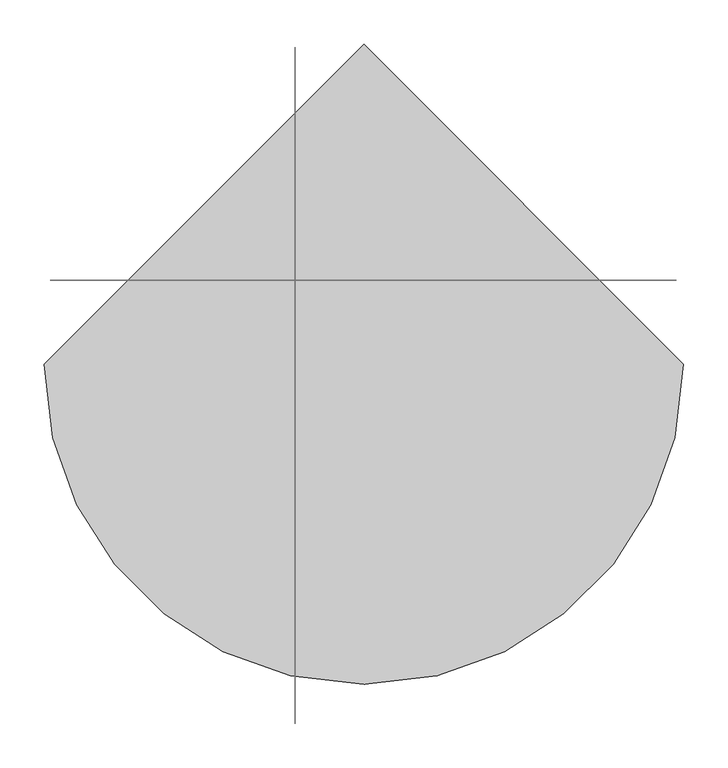
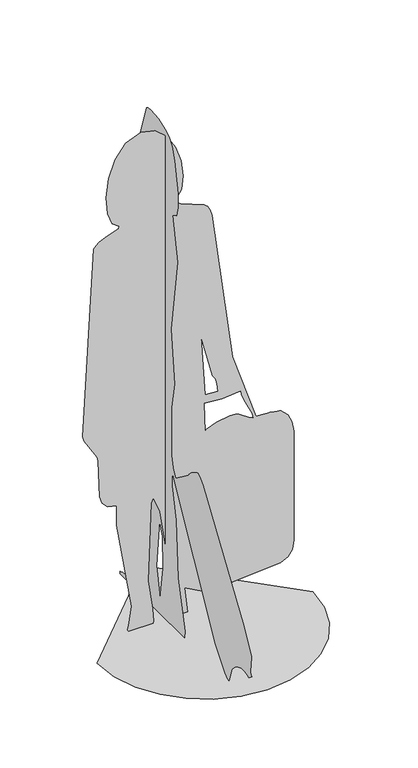
"""IFC4 building model written with IfcOpenShell, lengths in millimetres: proxy geometry."""

from ifc_helpers import new_model, si_unit, origin, place, context, project, spatial, triangles, source, transform, mapped, element, save


def entourage_878ef173(model_context):
    return source(origin(), model_context, "Body", "Tessellation", [
        triangles([(53.8898383, 117.4603358, 747.7914923), (98.2196679, 117.4603358, 744.8361494), (95.1081209, 117.4603176, 773.4306976), (89.3746228, 117.4603176, 791.5245787), (80.4877198, 117.4603176, 806.8979136), (42.0685486, 117.4603086, 957.6191643), (111.0217117, 117.4603449, 714.2722446), (50.9345318, 117.4603358, 718.2382816), (53.8898429, 117.4603449, 617.7574236), (59.3183088, 117.4603449, 623.2589773), (93.5172206, 117.4603449, 636.2914667), (138.3303101, 117.4603449, 644.4038349), (157.0264436, 117.4603449, 643.7551826), (169.1473063, 117.4603449, 638.4446783), (200.5938788, 117.4603449, 617.4117325), (207.9951349, 117.4603449, 613.0218115), (213.5514273, 117.4603449, 610.0099314), (216.4324106, 117.4603449, 608.8914677), (214.1224317, 117.4603449, 624.6304779), (191.1442376, 117.4603449, 672.8652517), (182.9985683, 117.4603449, 688.9846167), (177.0412648, 117.4603449, 704.9755011), (174.7312677, 117.4603449, 720.7485209), (-201.8995404, 117.4604085, 0.0), (-204.1571242, 117.4604085, 3.9497842), (-204.9442855, 117.4604085, 7.6373274), (-204.6662138, 117.4604085, 10.9642256), (-203.7279898, 117.4604085, 13.8318444), (-202.5349122, 117.4604085, 16.1416667), (-201.4920253, 117.4604085, 17.7951722), (-201.0044824, 117.4604085, 18.6940715), (-190.828977, 117.4603994, 85.6587976), (-242.182692, 117.460354, 390.4929889), (-241.6421545, 117.4603449, 458.1701806), (-271.5639473, 117.4603449, 465.087818), (-289.7425615, 117.4603449, 483.6791977), (-298.9889993, 117.4603449, 510.7019305), (-302.8727739, 117.4603176, 638.2599512), (-307.2949422, 117.4603176, 654.1493883), (-350.722742, 117.4603176, 724.6059889), (-355.1449648, 117.4603176, 742.1577518), (-318.2957969, 117.460245, 1393.2515854), (-310.2569707, 117.460245, 1402.8329773), (-299.7625713, 117.460245, 1411.0185242), (-287.5347566, 117.460245, 1417.9618504), (-274.2955575, 117.460245, 1423.8161442), (-260.7672771, 117.460245, 1428.7353207), (-247.6718555, 117.460245, 1432.8724228), (-235.7315414, 117.460245, 1436.3809296), (-232.7762167, 117.4602359, 1445.2468128), (-257.0988964, 117.4602359, 1461.5501781), (-272.1356057, 117.4602177, 1503.7727463), (-276.4824334, 117.4602177, 1561.8838795), (-268.7355044, 117.4602177, 1625.85294), (-247.4909617, 117.4602086, 1685.6494354), (-211.3448214, 117.4601905, 1731.241856), (-158.8932265, 117.4601905, 1752.6), (-111.9791842, 117.4602086, 1741.2460419), (-73.5043479, 117.4602177, 1707.6616093), (-44.4949449, 117.4602177, 1659.4346111), (-25.9771685, 117.4602177, 1604.1516483), (-18.9772346, 117.4602359, 1549.4009205), (-24.5213525, 117.460245, 1502.7694645), (-43.6357222, 117.460245, 1471.8447533), (-41.3971643, 117.460245, 1464.7698944), (-35.6109395, 117.460245, 1458.4332172), (-27.6712375, 117.460245, 1452.9626209), (51.276435, 117.460245, 1421.2944958), (57.2815917, 117.460245, 1416.9136585), (62.600167, 117.460245, 1411.6523518), (67.2046597, 117.460245, 1405.3326794), (71.0676189, 117.460245, 1397.7771812), (78.5116503, 117.460254, 1375.7985809), (147.1776171, 117.4603176, 850.6698057), (225.2983847, 117.4603449, 611.8468105), (275.5388137, 117.460354, 608.9837222), (309.4108014, 117.460354, 601.3092633), (332.2617685, 117.4603721, 580.586255), (345.871948, 117.4603721, 550.2653586), (352.0216816, 117.4603721, 513.7975628), (353.4933941, 117.4604176, 128.4620444), (346.9371809, 117.4604176, 99.2247937), (332.6279889, 117.4604176, 77.1089652), (308.0473672, 117.4604176, 65.1126907), (90.3187149, 117.4604176, 47.8453172), (48.0056181, 117.4604176, 54.0576651), (-14.0824787, 117.4603994, 88.7552838), (-4.1152214, 117.4604176, 0.0), (-74.9051435, 117.4604176, 0.0), (-62.2911333, 117.4603994, 156.8197702), (-96.4066154, 117.4603721, 387.4205747), (-115.2693994, 117.460354, 437.4783113), (-119.5504426, 117.460354, 442.4700125), (-126.1975024, 117.460354, 426.9860739), (-137.0054909, 117.4603994, 156.8197702), (-121.113147, 117.4603994, 51.6135511), (-117.2149747, 117.4604085, 8.0698619), (-119.7951406, 117.4604085, 0.0), (-77.8997872, 135.0692083, 282.8198191), (-77.8998054, 130.3114773, 172.9542868), (-77.8998054, 152.666935, 33.5277909), (-77.8997963, 152.9641916, 69.4067782), (-77.8997963, 169.5678293, 157.0970425), (-77.8997872, 150.7276729, 328.1361483), (-77.8998145, 3.0163209, 25.7191991), (-77.8998054, 45.3518648, 189.0513784), (-77.8997963, 55.7880146, 386.7806791), (-77.8997963, 80.3276914, 494.488567), (-77.8997872, 80.5199489, 517.4922137), (-77.8997872, 76.8446373, 540.9191631), (-77.8998145, -171.7708925, 87.0856001), (-77.8998145, -227.9932601, 18.8921949), (-77.8998236, -243.0883417, 6.7222562), (-77.8998236, -252.4887126, 5.452254), (-77.8998145, -269.9436974, 56.8931116), (-77.8998145, -279.0118393, 68.4347354), (-77.8998236, -291.5888515, 78.625724), (-77.8998236, -306.5133039, 86.7939936), (-77.8998236, -322.6234397, 92.2677329), (-77.8998236, -338.7579563, 94.3743994), (-77.8998236, -353.7550424, 92.4425951), (-77.8998327, -366.4532135, 85.8000045), (-77.8998327, -384.1851617, 100.5765735), (-77.8998327, -379.3155098, 104.3952085), (-77.8998327, -377.4683842, 114.2298371), (-77.8998236, -381.8249496, 165.1035306), (-77.8998236, -381.2298552, 168.5488871), (-77.8998145, -338.4702559, 250.651234), (-77.8997963, -99.3683079, 604.619163), (-77.8997963, -81.9905895, 622.8976622), (-77.8997963, -71.65085, 630.1974346), (-77.8997872, -65.9631884, 629.1904467), (-77.8997963, -34.7905, 610.2242352), (-77.8997963, -19.0469808, 595.6349367), (-77.8997963, -17.7255782, 591.1596285), (-77.8997963, 56.157428, 535.0085137), (-77.8997963, 58.1476771, 537.2532895), (-77.8997872, 66.8439441, 552.4633713), (-77.8997872, 72.0572114, 563.5967397), (-77.8997872, 76.8521041, 575.860853), (-77.8997872, 80.4822059, 588.3398515), (-77.8997782, 82.2011599, 600.1177663), (-77.8997782, 81.1851063, 771.341581), (-77.8997782, 63.9151076, 863.048992), (-77.8997691, 84.6023578, 1046.8329048), (-77.8997691, 47.4761219, 1306.3470062), (-77.8997691, 76.8445827, 1454.1129868), (-77.8997691, 53.8794874, 1467.406216), (-77.8997691, 43.4152415, 1502.0613682), (-77.8997691, 43.0932317, 1550.2417122), (-77.8997509, 63.441213, 1655.8304707), (-77.89976, 79.3938912, 1697.5648418), (-77.8997509, 96.0541751, 1721.476609), (-77.8997509, 113.8033461, 1732.016082), (-77.8997509, 158.8977684, 1746.5525494), (-77.8997418, 202.5220496, 1750.8739426), (-77.8997418, 218.4334876, 1748.6439915), (-77.8997418, 227.5582395, 1743.1885105), (-77.8997509, 274.573284, 1600.1668625), (-77.8997418, 278.9162601, 1559.8313885), (-77.8997509, 274.1262909, 1527.2763988), (-77.8997509, 257.1190804, 1507.3087223), (-77.8997509, 224.7027815, 1486.3441589), (-77.8997509, 208.3494555, 1458.8658943), (-77.89976, 210.3774568, 1428.4683311), (-77.89976, 225.4879443, 1396.3826443), (-77.89976, 296.3251358, 1302.3062645), (-77.89976, 310.7764157, 1275.7776512), (-77.8997691, 316.9745112, 1010.797677), (-77.8997691, 316.2255017, 1004.9043594), (-77.8997782, 295.5383015, 481.8127419), (-77.8997782, 293.46688, 480.3784181), (-77.8997782, 269.2362369, 455.7556841), (-77.8997782, 264.2245697, 447.8189229), (-77.8997782, 261.6443493, 440.3457962), (-77.8997872, 237.1922808, 202.61841), (-77.8997872, 242.132259, 157.050352), (-77.8997872, 253.7944106, 116.4614324), (-77.8997872, 322.1361875, 23.7382494), (-77.8997872, 325.7640547, 23.3657181), (-77.8997872, 333.8459015, 21.7296988), (-77.8997872, 344.6726026, 19.2407246), (-77.8997872, 356.5347055, 16.3091608), (-77.8997872, 367.7233758, 13.3450226), (-77.8997782, 376.529052, 10.7590158), (-77.8997782, 381.2426087, 8.961618), (-77.8997782, 381.1268818, 8.1774101), (-77.8997782, 381.0535578, 7.1637053), (-77.8997782, 381.015624, 5.9590209), (-77.8997782, 381.0058136, 4.6018718), (-77.8997782, 381.0171501, 3.1304315), (-77.8997782, 381.0423666, 1.583731), (-77.8997782, 381.0743777, 0.0001143), (-77.8998145, 6.2281815, 0.0001143), (-361.7310817, 22.4542549, 0.0001143), (-352.1680753, -60.4305955, 0.0001143), (-324.9328191, -136.5470796, 0.0002286), (-282.2059939, -203.7143642, 0.0001143), (-226.1686077, -259.7518049, 0.0001143), (-159.0012504, -302.4785029, 0.0001143), (-82.8847755, -329.7138136, 0.0001143), (6.66e-05, -339.2768563, 0.0001143), (82.8849208, -329.7138863, 0.0001143), (159.0013958, -302.4785574, 0.0002286), (226.1686985, -259.7517323, 0.0001143), (282.2061938, -203.7143824, 0.0001143), (324.9328554, -136.5470251, 0.0001143), (352.1681479, -60.4305456, 0.0001143), (361.7311907, 22.4542844, 0.0002286), (3.3e-06, 384.1853797, 0.0001143)], [[1, 2, 8], [34, 1, 8], [34, 8, 9], [87, 88, 89], [87, 89, 90], [7, 8, 2], [97, 98, 24], [96, 97, 24], [96, 24, 25], [96, 25, 26], [96, 26, 27], [96, 27, 28], [96, 28, 29], [96, 29, 30], [96, 30, 31], [96, 31, 32], [95, 96, 32], [95, 32, 33], [95, 33, 34], [94, 95, 34], [93, 94, 34], [93, 34, 9], [92, 93, 9], [1, 34, 35], [1, 35, 36], [1, 36, 37], [1, 37, 38], [1, 38, 39], [6, 1, 39], [6, 39, 40], [6, 40, 41], [6, 41, 42], [6, 42, 43], [6, 43, 44], [6, 44, 45], [6, 45, 46], [6, 46, 47], [6, 47, 48], [6, 48, 49], [91, 92, 9], [6, 49, 50], [7, 2, 3], [23, 7, 3], [50, 51, 52], [56, 57, 58], [56, 58, 59], [55, 56, 59], [55, 59, 60], [54, 55, 60], [54, 60, 61], [53, 54, 61], [53, 61, 62], [52, 53, 62], [50, 52, 62], [50, 62, 63], [50, 63, 64], [6, 50, 64], [6, 64, 65], [6, 65, 66], [6, 66, 67], [6, 67, 68], [6, 68, 69], [6, 69, 70], [6, 70, 71], [6, 71, 72], [6, 72, 73], [5, 6, 73], [5, 73, 74], [4, 5, 74], [3, 4, 74], [23, 3, 74], [23, 74, 75], [22, 23, 75], [21, 22, 75], [20, 21, 75], [19, 20, 75], [18, 19, 75], [90, 91, 9], [87, 90, 9], [86, 87, 9], [85, 86, 9], [84, 85, 9], [83, 84, 9], [82, 83, 9], [81, 82, 9], [80, 81, 9], [79, 80, 9], [78, 79, 9], [77, 78, 9], [18, 75, 76], [12, 13, 14], [11, 12, 14], [11, 14, 15], [10, 11, 15], [9, 10, 15], [9, 15, 16], [9, 16, 17], [9, 17, 18], [77, 9, 18], [77, 18, 76], [100, 101, 106], [122, 123, 124], [100, 106, 107], [99, 100, 107], [104, 99, 107], [105, 106, 101], [194, 105, 101], [193, 194, 101], [192, 193, 101], [191, 192, 101], [190, 191, 101], [189, 190, 101], [188, 189, 101], [187, 188, 101], [186, 187, 101], [185, 186, 101], [184, 185, 101], [183, 184, 101], [182, 183, 101], [181, 182, 101], [180, 181, 101], [179, 180, 101], [178, 179, 101], [178, 101, 102], [177, 178, 102], [177, 102, 103], [176, 177, 103], [175, 176, 103], [175, 103, 104], [121, 122, 124], [113, 114, 115], [112, 113, 115], [111, 112, 115], [121, 124, 125], [175, 104, 107], [175, 107, 108], [174, 175, 108], [174, 108, 109], [173, 174, 109], [173, 109, 110], [172, 173, 110], [111, 115, 116], [170, 171, 172], [170, 172, 110], [120, 121, 125], [120, 125, 126], [111, 116, 117], [111, 117, 118], [110, 111, 118], [110, 118, 119], [110, 119, 120], [110, 120, 126], [110, 126, 127], [110, 127, 128], [130, 131, 132], [147, 148, 149], [129, 130, 132], [129, 132, 133], [129, 133, 134], [129, 134, 135], [129, 135, 136], [128, 129, 136], [110, 128, 136], [110, 136, 137], [110, 137, 138], [170, 110, 138], [170, 138, 139], [170, 139, 140], [170, 140, 141], [170, 141, 142], [170, 142, 143], [170, 143, 144], [170, 144, 145], [169, 170, 145], [168, 169, 145], [167, 168, 145], [167, 145, 146], [166, 167, 146], [165, 166, 146], [164, 165, 146], [164, 146, 147], [164, 147, 149], [164, 149, 150], [163, 164, 150], [163, 150, 151], [162, 163, 151], [161, 162, 151], [160, 161, 151], [159, 160, 151], [159, 151, 152], [159, 152, 153], [159, 153, 154], [159, 154, 155], [159, 155, 156], [158, 159, 156], [158, 156, 157], [209, 210, 195], [208, 209, 195], [208, 195, 196], [207, 208, 196], [207, 196, 197], [207, 197, 198], [206, 207, 198], [205, 206, 198], [205, 198, 199], [205, 199, 200], [205, 200, 201], [205, 201, 202], [205, 202, 203], [205, 203, 204]], closed=False),
    ])


if __name__ == "__main__":
    model = new_model("IFC4")
    model_context = context("Model", 3, world=origin())
    ifc_project = project(units=[si_unit("LENGTHUNIT", "METRE", prefix="MILLI")], contexts=[model_context])
    site = spatial("IfcSite", under=ifc_project)
    building = spatial("IfcBuilding", under=site)
    placement = place(None, origin())
    entourage_shape = entourage_878ef173(model_context)
    element("IfcBuildingElementProxy", 1, Name="Entourage", at=placement, inside=building, context=model_context, shape_type="MappedRepresentation", body=[
        mapped(entourage_shape, transform((0.0, 0.0, 0.0), x_axis=(1.0, 0.0, 0.0), y_axis=(0.0, 1.0, 0.0), z_axis=(0.0, 0.0, 1.0))),
    ])
    save(model, "model.ifc")
